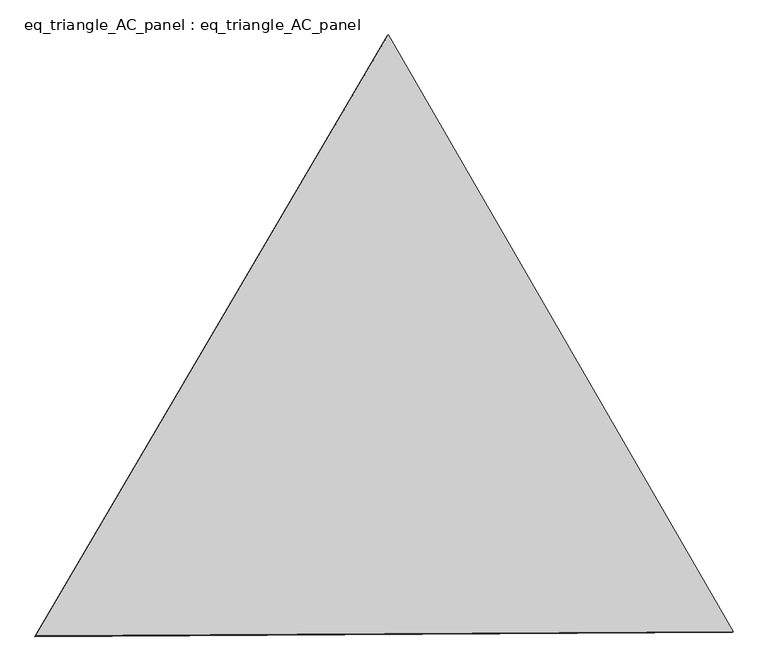
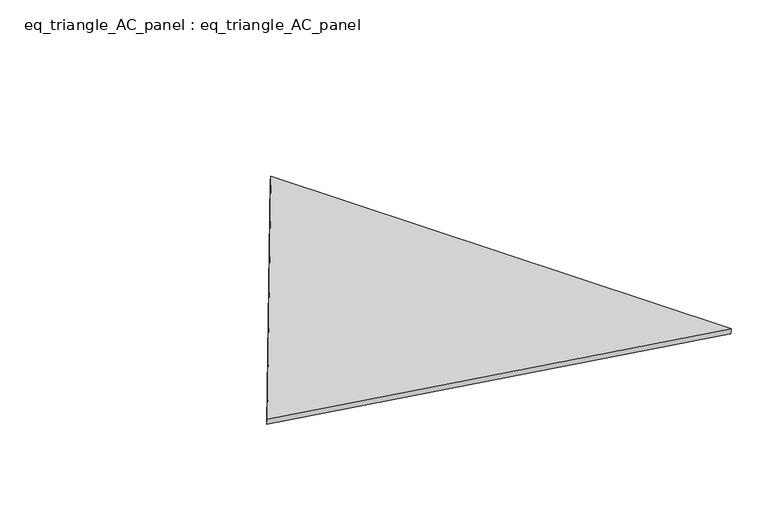
"""IFC4 building model written with IfcOpenShell, lengths in millimetres: proxy geometry, eq_triangle_AC_panel : eq_triangle_AC_panel."""

from ifc_helpers import new_model, si_unit, frame, origin, place, context, project, spatial, polyline, outline, extrude, source, transform, mapped, element, save


def eq_triangle_ac_panel_eq_triangle_ac_panel_4b430808(model_context):
    return source(origin(), model_context, "Body", "SweptSolid", [
        extrude(outline(polyline([(-2017.6126472, 1198.9386033), (2017.4478799, 1198.9386033), (0.1647671, -2397.8772068), (-2017.6126472, 1198.9386033)])), frame((-6.3631761, 524.2531996, 46.6143561), z_axis=(0.14526328518058193, 0.08386570281802198, 0.9858321976225894), x_axis=(0.4999441039295662, -0.8660576729424473, 9.142000849268704e-06)), (0.0, 0.0, 1.0), 43.8306294),
    ])


if __name__ == "__main__":
    model = new_model("IFC4")
    model_context = context("Model", 3, world=origin())
    ifc_project = project(units=[si_unit("LENGTHUNIT", "METRE", prefix="MILLI")], contexts=[model_context])
    site = spatial("IfcSite", under=ifc_project)
    building = spatial("IfcBuilding", under=site)
    placement = place(None, origin())
    eq_triangle_ac_panel_eq_triangle_ac_panel_shape = eq_triangle_ac_panel_eq_triangle_ac_panel_4b430808(model_context)
    element("IfcBuildingElementProxy", 1, Name="eq_triangle_AC_panel : eq_triangle_AC_panel", ObjectType="eq_triangle_AC_panel : eq_triangle_AC_panel", at=placement, inside=building, context=model_context, shape_type="MappedRepresentation", body=[
        mapped(eq_triangle_ac_panel_eq_triangle_ac_panel_shape, transform((0.0, 0.0, 0.0), x_axis=(1.0, 0.0, 0.0), y_axis=(0.0, 1.0, 0.0), z_axis=(0.0, 0.0, 1.0))),
    ])
    save(model, "model.ifc")
